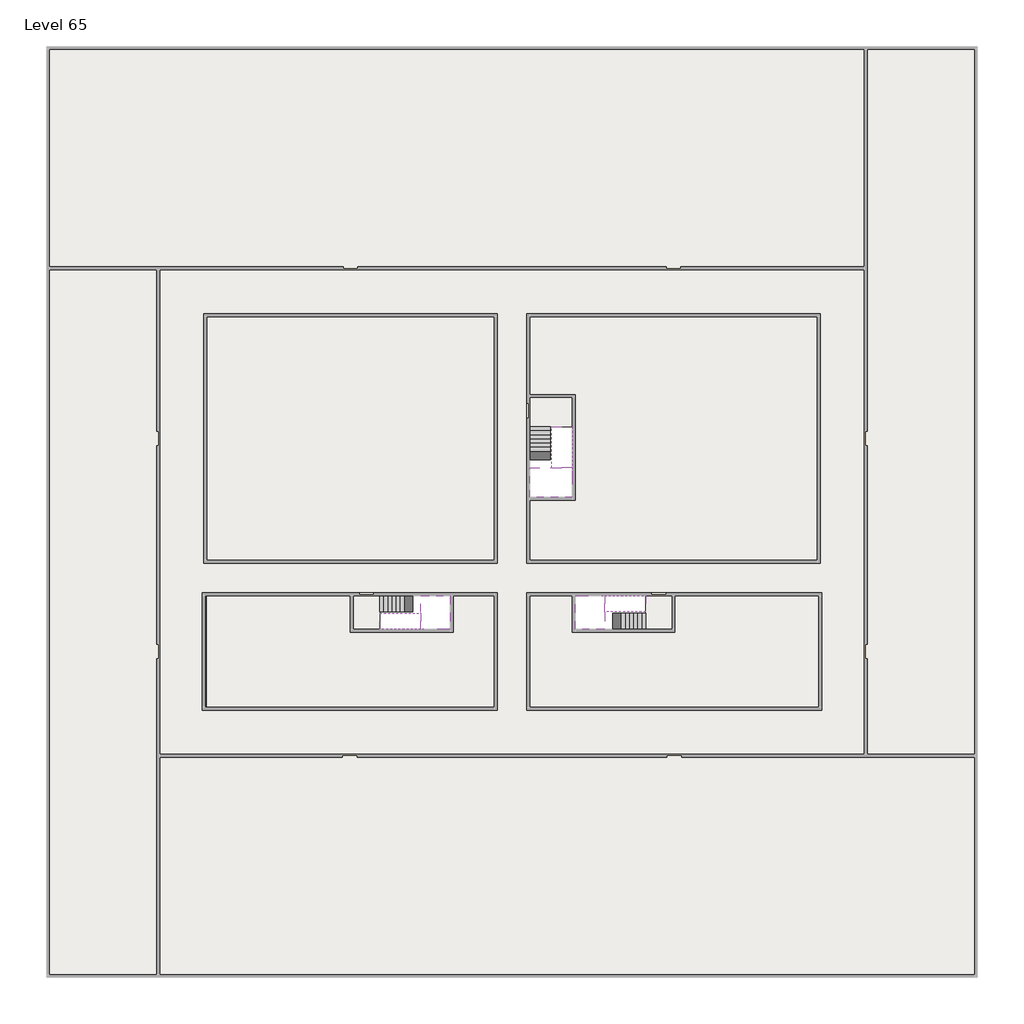
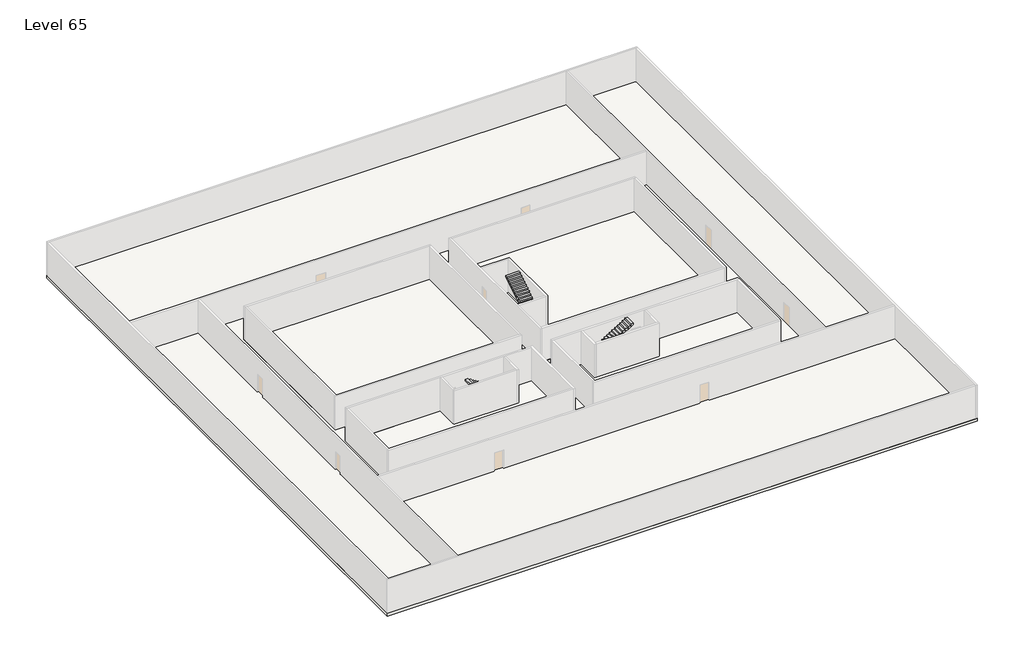
# One storey, part 2 of 2: 6 slabs, 6 stair flights.
"""IFC4 building model written with IfcOpenShell, lengths in millimetres."""

import ifcopenshell
import ifcopenshell.guid

model = None  # the IFC model being written
_history = None  # IfcOwnerHistory: only IFC2X3 demands one
_inside = {}  # id of a spatial element -> (the spatial element, [elements in it])
_under = {}  # id of a project, library or spatial element -> (it, [spatial elements below it])
_declared = {}  # id of a project -> (the project, [libraries it declares])
_typed = {}  # id of a type object -> (the type object, [elements of that type])
_made_of = {}  # id of a material, layer set ... -> (it, [elements and type objects made of it])


def new_model(schema):
    """Start an empty IFC model of exactly this schema.

    Asked for "IFC4X3", IfcOpenShell would pick the latest addendum, in which some entities
    have other attributes; the version numbers below select the first issue.
    IFC2X3 requires an IfcOwnerHistory on every rooted entity: one is made here for all.
    """
    global model, _history
    if schema == "IFC4X3":
        model = ifcopenshell.file(schema_version=(4, 3, 0, 0))
    else:
        model = ifcopenshell.file(schema=schema)
    _inside.clear()
    _under.clear()
    _declared.clear()
    _typed.clear()
    _made_of.clear()
    _history = None
    if model.schema == "IFC2X3":
        org = make("IfcOrganization", Name="unknown")
        user = make(
            "IfcPersonAndOrganization",
            ThePerson=make("IfcPerson", FamilyName="unknown"),
            TheOrganization=org,
        )
        app = make(
            "IfcApplication",
            ApplicationDeveloper=org,
            Version="unknown",
            ApplicationFullName="unknown",
            ApplicationIdentifier="unknown",
        )
        _history = make(
            "IfcOwnerHistory",
            OwningUser=user,
            OwningApplication=app,
            ChangeAction="ADDED",
            CreationDate=0,
        )
    return model


def make(cls, **values):
    """One entity of the class cls with the attributes given. An attribute that is None is left unset."""
    return model.create_entity(
        cls, **{name: value for name, value in values.items() if value is not None}
    )


def rooted(cls, **values):
    """An entity with a GlobalId (a new one), such as an element, a storey or a relation."""
    return make(cls, GlobalId=ifcopenshell.guid.new(), OwnerHistory=_history, **values)


def si_unit(unit_type, name, prefix=None):
    """IfcSIUnit, for example si_unit("LENGTHUNIT", "METRE", prefix="MILLI")."""
    return make("IfcSIUnit", UnitType=unit_type, Prefix=prefix, Name=name)


def assignment(units):
    """IfcUnitAssignment: the units of a project."""
    return None if units is None else make("IfcUnitAssignment", Units=units)


def point(xyz):
    """IfcCartesianPoint."""
    return None if xyz is None else make("IfcCartesianPoint", Coordinates=xyz)


def direction(xyz):
    """IfcDirection."""
    return None if xyz is None else make("IfcDirection", DirectionRatios=xyz)


def frame(location, z_axis=None, x_axis=None):
    """IfcAxis2Placement3D, a coordinate frame: its origin and axes. An axis left out is left unset."""
    return make(
        "IfcAxis2Placement3D",
        Location=point(location),
        Axis=direction(z_axis),
        RefDirection=direction(x_axis),
    )


def origin():
    """The frame at (0, 0, 0) with its axes left unset."""
    return frame((0.0, 0.0, 0.0))


def place(relative_to, where):
    """IfcLocalPlacement: puts the frame where relative to a parent placement (None: the world)."""
    return make(
        "IfcLocalPlacement", PlacementRelTo=relative_to, RelativePlacement=where
    )


def context(
    kind, dimensions, precision=None, world=None, true_north=None, identifier=None
):
    """IfcGeometricRepresentationContext, for example the 3D "Model" context."""
    return make(
        "IfcGeometricRepresentationContext",
        ContextIdentifier=identifier,
        ContextType=kind,
        CoordinateSpaceDimension=dimensions,
        Precision=precision,
        WorldCoordinateSystem=world,
        TrueNorth=true_north,
    )


def project(units=None, contexts=None):
    """IfcProject with its units and contexts."""
    return rooted(
        "IfcProject",
        Name="project",
        RepresentationContexts=contexts,
        UnitsInContext=assignment(units),
    )


def spatial(cls, under=None, at=None, **own):
    """A site, building, storey or space (cls), placed at a placement, below another one or the project."""
    s = rooted(cls, ObjectPlacement=at, **own)
    if under is not None:
        _under.setdefault(under.id(), (under, []))[1].append(s)
    return s


def polyline(points):
    """IfcPolyline through the points."""
    return make("IfcPolyline", Points=[point(p) for p in points])


def outline(outer, holes=None, kind="AREA"):
    """IfcArbitraryClosedProfileDef: a profile drawn as a closed curve; with holes, ...WithVoids."""
    if holes is None:
        return make("IfcArbitraryClosedProfileDef", ProfileType=kind, OuterCurve=outer)
    return make(
        "IfcArbitraryProfileDefWithVoids",
        ProfileType=kind,
        OuterCurve=outer,
        InnerCurves=holes,
    )


def extrude(swept, where, along, depth):
    """IfcExtrudedAreaSolid: the profile swept, set in the frame where, extruded along a direction by depth."""
    return make(
        "IfcExtrudedAreaSolid",
        SweptArea=swept,
        Position=where,
        ExtrudedDirection=direction(along),
        Depth=depth,
    )


def faces_of(points, faces, orient=None, outer=None):
    """IfcFace entities. A face is a list of loops; a loop is a list of indices into points, from 0.

    orient and outer hold one flag for each loop. By default every Orientation is true, the
    first loop of a face is its IfcFaceOuterBound and the others are IfcFaceBound.
    """
    made = []
    for i, loops in enumerate(faces):
        bounds = []
        for j, loop in enumerate(loops):
            is_outer = j == 0 if outer is None else outer[i][j]
            bounds.append(
                make(
                    "IfcFaceOuterBound" if is_outer else "IfcFaceBound",
                    Bound=make("IfcPolyLoop", Polygon=[points[k] for k in loop]),
                    Orientation=True if orient is None else orient[i][j],
                )
            )
        made.append(make("IfcFace", Bounds=bounds))
    return made


def faceted_brep(points, faces, orient=None, outer=None, voids=None):
    """IfcFacetedBrep: a solid bounded by flat faces; with voids (closed shells), ...WithVoids."""
    shared = [point(p) for p in points]
    hull = make("IfcClosedShell", CfsFaces=faces_of(shared, faces, orient, outer))
    if voids is None:
        return make("IfcFacetedBrep", Outer=hull)
    return make(
        "IfcFacetedBrepWithVoids",
        Outer=hull,
        Voids=[
            make(cls, CfsFaces=faces_of(shared, fs, o, b)) for cls, fs, o, b in voids
        ],
    )


def shape(context_of_items, identifier, shape_type, items):
    """IfcShapeRepresentation: the items that make up one representation, for example the "Body"."""
    return make(
        "IfcShapeRepresentation",
        ContextOfItems=context_of_items,
        RepresentationIdentifier=identifier,
        RepresentationType=shape_type,
        Items=items,
    )


def made_of(thing, what):
    """Note that an element or type object is made of a material, layer set ...; save() writes the relation."""
    if what is not None:
        _made_of.setdefault(what.id(), (what, []))[1].append(thing)
    return thing


def element(
    cls,
    number,
    at=None,
    inside=None,
    cuts=None,
    type_object=None,
    material=None,
    context=None,
    identifier="Body",
    shape_type=None,
    held_by="IfcProductDefinitionShape",
    body=None,
    shapes=None,
    **own,
):
    """One element of the class cls, such as IfcWall. Its Tag is "e" and its number.

    at: its placement. inside: the storey or other place that contains it. cuts: it is an
    opening in that element (IfcRelVoidsElement). A single representation is given by context,
    identifier, shape_type and body (its items); several are given by shapes. held_by: the class
    of the entity that holds the representations. save() writes the other relations.
    """
    e = rooted(cls, Tag="e%d" % number, ObjectPlacement=at, **own)
    if body is not None:
        shapes = [shape(context, identifier, shape_type, body)]
    if shapes is not None:
        e.Representation = make(held_by, Representations=shapes)
    if inside is not None:
        _inside.setdefault(inside.id(), (inside, []))[1].append(e)
    if cuts is not None:
        rooted(
            "IfcRelVoidsElement", RelatingBuildingElement=cuts, RelatedOpeningElement=e
        )
    if type_object is not None:
        _typed.setdefault(type_object.id(), (type_object, []))[1].append(e)
    return made_of(e, material)


def aggregate(whole, parts):
    """IfcRelAggregates: a whole, such as a stair, and the parts it consists of."""
    return rooted("IfcRelAggregates", RelatingObject=whole, RelatedObjects=parts)


def save(model, path):
    """Write the relations noted so far, then the file.

    IfcRelAggregates (storeys below a building ...), IfcRelContainedInSpatialStructure (elements
    in a storey), IfcRelDefinesByType, IfcRelAssociatesMaterial and IfcRelDeclares: one each for
    every whole, place, type object, material and project.
    """
    for whole, parts in _under.values():
        aggregate(whole, parts)
    for where, things in _inside.values():
        rooted(
            "IfcRelContainedInSpatialStructure",
            RelatedElements=things,
            RelatingStructure=where,
        )
    for kind, things in _typed.values():
        rooted("IfcRelDefinesByType", RelatedObjects=things, RelatingType=kind)
    for what, things in _made_of.values():
        rooted("IfcRelAssociatesMaterial", RelatedObjects=things, RelatingMaterial=what)
    for by, libraries in _declared.values():
        rooted("IfcRelDeclares", RelatingContext=by, RelatedDefinitions=libraries)
    model.write(path)


model = new_model("IFC4")

# Units and contexts
model_context = context("Model", 3, world=origin())
ifc_project = project(units=[si_unit("LENGTHUNIT", "METRE", prefix="MILLI")], contexts=[model_context])

# Site, building, storey
site = spatial("IfcSite", under=ifc_project)
building = spatial("IfcBuilding", under=site)
storey = spatial("IfcBuildingStorey", under=building, Name="Level 65", Elevation=243200.0)

# Slabs
placement = place(None, origin())
element("IfcSlab", 1, at=placement, inside=storey, context=model_context, shape_type="SweptSolid", body=[
    extrude(outline(polyline([(55890.1058784, -5518.09644), (55890.1058784, -68918.09644), (-7509.8941216, -68918.09644), (-7509.8941216, -5518.09644), (55890.1058784, -5518.09644)]), holes=[polyline([(23190.1058784, -23718.09644), (3190.1058784, -23718.09644), (3190.1058784, -40718.09644), (23190.1058784, -40718.09644), (23190.1058784, -23718.09644)]), polyline([(45190.1058784, -23718.09644), (25190.1058784, -23718.09644), (25190.1058784, -40718.09644), (45190.1058784, -40718.09644), (45190.1058784, -23718.09644)]), polyline([(23190.1058784, -50718.09644), (23190.1058784, -42718.09644), (3390.1058784, -42718.09644), (3390.1058784, -50718.09644), (23190.1058784, -50718.09644)]), polyline([(25190.1058784, -50718.09644), (45190.1058784, -50718.09644), (45190.1058784, -42718.09644), (25190.1058784, -42718.09644), (25190.1058784, -50718.09644)])]), frame((0.0, 0.0, 242900.0), z_axis=(0.0, 0.0, 1.0), x_axis=(1.0, 0.0, 0.0)), (0.0, 0.0, 1.0), 300.0),
])
element("IfcSlab", 2, at=placement, inside=storey, context=model_context, shape_type="Brep", body=[
    faceted_brep([(26790.1058784, -34218.09644, 245100.0), (25390.1058784, -34218.09644, 245100.0), (25390.1058784, -34297.4828763, 245100.0), (25390.1058784, -36218.09644, 245100.0), (28290.1058784, -36218.09644, 245100.0), (28290.1058784, -34418.7100038, 245100.0), (28290.1058784, -34218.09644, 245100.0), (26890.1058784, -34218.09644, 245100.0), (26790.1058784, -34218.09644, 244800.0), (26790.1058784, -34218.09644, 244751.0278478), (25390.1058784, -34218.09644, 244751.0278478), (25390.1058784, -34218.09644, 244927.2727273), (25390.1058784, -34297.4828763, 244800.0), (25390.1058784, -36218.09644, 244800.0), (28290.1058784, -36218.09644, 244800.0), (28290.1058784, -34418.7100038, 244800.0), (28290.1058784, -34218.09644, 244923.7551205), (26890.1058784, -34218.09644, 244923.7551205), (26890.1058784, -34218.09644, 244800.0), (26890.1058784, -34418.7100038, 244800.0), (26790.1058784, -34297.4828763, 244800.0)], [[[0, 1, 2, 3, 4, 5, 6, 7]], [[1, 0, 8, 9, 10, 11]], [[1, 11, 10, 12, 13, 3, 2]], [[4, 3, 13, 14]], [[4, 14, 15, 16, 6, 5]], [[7, 6, 16, 17]], [[0, 7, 17, 18, 8]], [[18, 19, 15, 14, 13, 12, 20, 8]], [[19, 18, 17]], [[20, 12, 10, 9]], [[8, 20, 9]], [[15, 19, 17, 16]]]),
])
element("IfcSlab", 3, at=placement, inside=storey, context=model_context, shape_type="SweptSolid", body=[
    extrude(outline(polyline([(22990.1058784, -23918.09644), (22990.1058784, -40518.09644), (3390.1058784, -40518.09644), (3390.1058784, -23918.09644), (22990.1058784, -23918.09644)])), frame((0.0, 0.0, 242900.0), z_axis=(0.0, 0.0, 1.0), x_axis=(1.0, 0.0, 0.0)), (0.0, 0.0, 1.0), 300.0),
    extrude(outline(polyline([(44990.1058784, -23918.09644), (44990.1058784, -40518.09644), (25390.1058784, -40518.09644), (25390.1058784, -36418.09644), (28490.1058784, -36418.09644), (28490.1058784, -29218.09644), (25390.1058784, -29218.09644), (25390.1058784, -23918.09644), (44990.1058784, -23918.09644)])), frame((0.0, 0.0, 242900.0), z_axis=(0.0, 0.0, 1.0), x_axis=(1.0, 0.0, 0.0)), (0.0, 0.0, 1.0), 300.0),
    extrude(outline(polyline([(22990.1058784, -42918.09644), (22990.1058784, -50518.09644), (3390.1058784, -50518.09644), (3390.1058784, -42918.09644), (13190.1058784, -42918.09644), (13190.1058784, -45418.09644), (20190.1058784, -45418.09644), (20190.1058784, -42918.09644), (22990.1058784, -42918.09644)])), frame((0.0, 0.0, 242900.0), z_axis=(0.0, 0.0, 1.0), x_axis=(1.0, 0.0, 0.0)), (0.0, 0.0, 1.0), 300.0),
    extrude(outline(polyline([(28290.1058784, -42918.09644), (28290.1058784, -45418.09644), (35290.1058784, -45418.09644), (35290.1058784, -42918.09644), (45090.1058784, -42918.09644), (45090.1058784, -50518.09644), (25390.1058784, -50518.09644), (25390.1058784, -42918.09644), (28290.1058784, -42918.09644)])), frame((0.0, 0.0, 242900.0), z_axis=(0.0, 0.0, 1.0), x_axis=(1.0, 0.0, 0.0)), (0.0, 0.0, 1.0), 300.0),
])
element("IfcSlab", 4, at=placement, inside=storey, context=model_context, shape_type="Brep", body=[
    faceted_brep([(30490.1058784, -45218.09644, 245100.0), (30490.1058784, -44118.09644, 245100.0), (30490.1058784, -44018.09644, 245100.0), (30490.1058784, -42918.09644, 245100.0), (30289.4923146, -42918.09644, 245100.0), (28490.1058784, -42918.09644, 245100.0), (28490.1058784, -45218.09644, 245100.0), (30410.7194421, -45218.09644, 245100.0), (30490.1058784, -45218.09644, 244927.2727273), (30490.1058784, -45218.09644, 244751.0278478), (30490.1058784, -44118.09644, 244751.0278478), (30490.1058784, -44118.09644, 244800.0), (30490.1058784, -44018.09644, 244800.0), (30490.1058784, -44018.09644, 244923.7551205), (30490.1058784, -42918.09644, 244923.7551205), (30289.4923146, -42918.09644, 244800.0), (28490.1058784, -42918.09644, 244800.0), (28490.1058784, -45218.09644, 244800.0), (30410.7194421, -45218.09644, 244800.0), (30289.4923146, -44018.09644, 244800.0), (30410.7194421, -44118.09644, 244800.0)], [[[0, 1, 2, 3, 4, 5, 6, 7]], [[1, 0, 8, 9, 10, 11]], [[2, 1, 11, 12, 13]], [[3, 2, 13, 14]], [[3, 14, 15, 16, 5, 4]], [[6, 5, 16, 17]], [[9, 8, 0, 7, 6, 17, 18]], [[19, 12, 11, 20, 18, 17, 16, 15]], [[12, 19, 13]], [[18, 20, 10, 9]], [[20, 11, 10]], [[19, 15, 14, 13]]]),
])
element("IfcSlab", 5, at=placement, inside=storey, context=model_context, shape_type="Brep", body=[
    faceted_brep([(17990.1058784, -42918.09644, 245100.0), (17990.1058784, -44018.09644, 245100.0), (17990.1058784, -44118.09644, 245100.0), (17990.1058784, -45218.09644, 245100.0), (18190.7194421, -45218.09644, 245100.0), (19990.1058784, -45218.09644, 245100.0), (19990.1058784, -42918.09644, 245100.0), (18069.4923146, -42918.09644, 245100.0), (17990.1058784, -42918.09644, 244927.2727273), (17990.1058784, -42918.09644, 244751.0278478), (17990.1058784, -44018.09644, 244751.0278478), (17990.1058784, -44018.09644, 244800.0), (17990.1058784, -44118.09644, 244800.0), (17990.1058784, -44118.09644, 244923.7551205), (17990.1058784, -45218.09644, 244923.7551205), (18190.7194421, -45218.09644, 244800.0), (19990.1058784, -45218.09644, 244800.0), (19990.1058784, -42918.09644, 244800.0), (18069.4923146, -42918.09644, 244800.0), (18190.7194421, -44118.09644, 244800.0), (18069.4923146, -44018.09644, 244800.0)], [[[0, 1, 2, 3, 4, 5, 6, 7]], [[1, 0, 8, 9, 10, 11]], [[2, 1, 11, 12, 13]], [[3, 2, 13, 14]], [[3, 14, 15, 16, 5, 4]], [[6, 5, 16, 17]], [[9, 8, 0, 7, 6, 17, 18]], [[19, 12, 11, 20, 18, 17, 16, 15]], [[12, 19, 13]], [[18, 20, 10, 9]], [[20, 11, 10]], [[19, 15, 14, 13]]]),
])
element("IfcSlab", 6, at=placement, inside=storey, context=model_context, shape_type="SweptSolid", body=[
    extrude(outline(polyline([(25190.1058784, -29418.09644), (28290.1058784, -29418.09644), (28290.1058784, -31418.09644), (25190.1058784, -31418.09644), (25190.1058784, -29418.09644)])), frame((0.0, 0.0, 242900.0), z_axis=(0.0, 0.0, 1.0), x_axis=(1.0, 0.0, 0.0)), (0.0, 0.0, 1.0), 300.0),
    extrude(outline(polyline([(15190.1058784, -45218.09644), (13390.1058784, -45218.09644), (13390.1058784, -42718.09644), (15190.1058784, -42718.09644), (15190.1058784, -45218.09644)])), frame((0.0, 0.0, 242900.0), z_axis=(0.0, 0.0, 1.0), x_axis=(1.0, 0.0, 0.0)), (0.0, 0.0, 1.0), 300.0),
    extrude(outline(polyline([(35090.1058784, -45218.09644), (33290.1058784, -45218.09644), (33290.1058784, -42718.09644), (35090.1058784, -42718.09644), (35090.1058784, -45218.09644)])), frame((0.0, 0.0, 242900.0), z_axis=(0.0, 0.0, 1.0), x_axis=(1.0, 0.0, 0.0)), (0.0, 0.0, 1.0), 300.0),
])

# Stair flights
element("IfcStairFlight", 7, at=placement, inside=storey, context=model_context, shape_type="Brep", body=[
    faceted_brep([(26790.1058784, -31698.09644, 243372.7272727), (26790.1058784, -31418.09644, 243372.7272727), (25390.1058784, -31418.09644, 243372.7272727), (25390.1058784, -31698.09644, 243372.7272727), (26790.1058784, -31698.09644, 243200.0), (26790.1058784, -31418.09644, 243200.0), (25390.1058784, -31418.09644, 243200.0), (25390.1058784, -31698.09644, 243200.0), (26790.1058784, -31978.09644, 243545.4545455), (26790.1058784, -31698.09644, 243545.4545455), (25390.1058784, -31698.09644, 243545.4545455), (25390.1058784, -31978.09644, 243545.4545455), (26790.1058784, -31978.09644, 243369.209666), (26790.1058784, -31703.7986657, 243200.0), (25390.1058784, -31703.7986657, 243200.0), (25390.1058784, -31978.09644, 243369.209666), (26790.1058784, -32258.09644, 243718.1818182), (26790.1058784, -31978.09644, 243718.1818182), (25390.1058784, -31978.09644, 243718.1818182), (25390.1058784, -32258.09644, 243718.1818182), (26790.1058784, -32258.09644, 243541.9369387), (25390.1058784, -32258.09644, 243541.9369387), (26790.1058784, -32538.09644, 243890.9090909), (26790.1058784, -32258.09644, 243890.9090909), (25390.1058784, -32258.09644, 243890.9090909), (25390.1058784, -32538.09644, 243890.9090909), (26790.1058784, -32538.09644, 243714.6642114), (25390.1058784, -32538.09644, 243714.6642114), (26790.1058784, -32818.09644, 244063.6363636), (26790.1058784, -32538.09644, 244063.6363636), (25390.1058784, -32538.09644, 244063.6363636), (25390.1058784, -32818.09644, 244063.6363636), (26790.1058784, -32818.09644, 243887.3914841), (25390.1058784, -32818.09644, 243887.3914841), (26790.1058784, -33098.09644, 244236.3636364), (26790.1058784, -32818.09644, 244236.3636364), (25390.1058784, -32818.09644, 244236.3636364), (25390.1058784, -33098.09644, 244236.3636364), (26790.1058784, -33098.09644, 244060.1187569), (25390.1058784, -33098.09644, 244060.1187569), (26790.1058784, -33378.09644, 244409.0909091), (26790.1058784, -33098.09644, 244409.0909091), (25390.1058784, -33098.09644, 244409.0909091), (25390.1058784, -33378.09644, 244409.0909091), (26790.1058784, -33378.09644, 244232.8460296), (25390.1058784, -33378.09644, 244232.8460296), (26790.1058784, -33658.09644, 244581.8181818), (26790.1058784, -33378.09644, 244581.8181818), (25390.1058784, -33378.09644, 244581.8181818), (25390.1058784, -33658.09644, 244581.8181818), (26790.1058784, -33658.09644, 244405.5733023), (25390.1058784, -33658.09644, 244405.5733023), (26790.1058784, -33938.09644, 244754.5454545), (26790.1058784, -33658.09644, 244754.5454545), (25390.1058784, -33658.09644, 244754.5454545), (25390.1058784, -33938.09644, 244754.5454545), (26790.1058784, -33938.09644, 244578.3005751), (25390.1058784, -33938.09644, 244578.3005751), (26790.1058784, -34218.09644, 244927.2727273), (26790.1058784, -33938.09644, 244927.2727273), (25390.1058784, -33938.09644, 244927.2727273), (25390.1058784, -34218.09644, 244927.2727273), (26790.1058784, -34218.09644, 244800.0), (26790.1058784, -34218.09644, 244751.0278478), (25390.1058784, -34218.09644, 244751.0278478)], [[[0, 1, 2, 3]], [[1, 0, 4, 5]], [[2, 1, 5, 6]], [[3, 2, 6, 7]], [[8, 9, 10, 11]], [[4, 0, 9, 8, 12, 13]], [[0, 3, 10, 9]], [[3, 7, 14, 15, 11, 10]], [[16, 17, 18, 19]], [[17, 16, 20, 12, 8]], [[8, 11, 18, 17]], [[19, 18, 11, 15, 21]], [[22, 23, 24, 25]], [[23, 22, 26, 20, 16]], [[16, 19, 24, 23]], [[25, 24, 19, 21, 27]], [[28, 29, 30, 31]], [[29, 28, 32, 26, 22]], [[22, 25, 30, 29]], [[31, 30, 25, 27, 33]], [[34, 35, 36, 37]], [[35, 34, 38, 32, 28]], [[28, 31, 36, 35]], [[37, 36, 31, 33, 39]], [[40, 41, 42, 43]], [[41, 40, 44, 38, 34]], [[34, 37, 42, 41]], [[43, 42, 37, 39, 45]], [[46, 47, 48, 49]], [[47, 46, 50, 44, 40]], [[40, 43, 48, 47]], [[49, 48, 43, 45, 51]], [[52, 53, 54, 55]], [[53, 52, 56, 50, 46]], [[46, 49, 54, 53]], [[55, 54, 49, 51, 57]], [[58, 59, 60, 61]], [[59, 58, 62, 63, 56, 52]], [[52, 55, 60, 59]], [[61, 60, 55, 57, 64]], [[58, 61, 64, 63, 62]], [[5, 4, 13, 14, 7, 6]], [[14, 13, 12, 20, 26, 32, 38, 44, 50, 56, 63, 64, 57, 51, 45, 39, 33, 27, 21, 15]]]),
])
element("IfcStairFlight", 8, at=placement, inside=storey, context=model_context, shape_type="Brep", body=[
    faceted_brep([(26890.1058784, -33938.09644, 245272.7272727), (26890.1058784, -34218.09644, 245272.7272727), (28290.1058784, -34218.09644, 245272.7272727), (28290.1058784, -33938.09644, 245272.7272727), (26890.1058784, -33938.09644, 245096.4823932), (26890.1058784, -34218.09644, 244923.7551205), (28290.1058784, -34218.09644, 244923.7551205), (28290.1058784, -34218.09644, 245100.0), (28290.1058784, -33938.09644, 245096.4823932), (26890.1058784, -33658.09644, 245445.4545455), (26890.1058784, -33938.09644, 245445.4545455), (28290.1058784, -33938.09644, 245445.4545455), (28290.1058784, -33658.09644, 245445.4545455), (26890.1058784, -33658.09644, 245269.209666), (28290.1058784, -33658.09644, 245269.209666), (26890.1058784, -33378.09644, 245618.1818182), (26890.1058784, -33658.09644, 245618.1818182), (28290.1058784, -33658.09644, 245618.1818182), (28290.1058784, -33378.09644, 245618.1818182), (26890.1058784, -33378.09644, 245441.9369387), (28290.1058784, -33378.09644, 245441.9369387), (26890.1058784, -33098.09644, 245790.9090909), (26890.1058784, -33378.09644, 245790.9090909), (28290.1058784, -33378.09644, 245790.9090909), (28290.1058784, -33098.09644, 245790.9090909), (26890.1058784, -33098.09644, 245614.6642114), (28290.1058784, -33098.09644, 245614.6642114), (26890.1058784, -32818.09644, 245963.6363636), (26890.1058784, -33098.09644, 245963.6363636), (28290.1058784, -33098.09644, 245963.6363636), (28290.1058784, -32818.09644, 245963.6363636), (26890.1058784, -32818.09644, 245787.3914841), (28290.1058784, -32818.09644, 245787.3914841), (26890.1058784, -32538.09644, 246136.3636364), (26890.1058784, -32818.09644, 246136.3636364), (28290.1058784, -32818.09644, 246136.3636364), (28290.1058784, -32538.09644, 246136.3636364), (26890.1058784, -32538.09644, 245960.1187569), (28290.1058784, -32538.09644, 245960.1187569), (26890.1058784, -32258.09644, 246309.0909091), (26890.1058784, -32538.09644, 246309.0909091), (28290.1058784, -32538.09644, 246309.0909091), (28290.1058784, -32258.09644, 246309.0909091), (26890.1058784, -32258.09644, 246132.8460296), (28290.1058784, -32258.09644, 246132.8460296), (26890.1058784, -31978.09644, 246481.8181818), (26890.1058784, -32258.09644, 246481.8181818), (28290.1058784, -32258.09644, 246481.8181818), (28290.1058784, -31978.09644, 246481.8181818), (26890.1058784, -31978.09644, 246305.5733023), (28290.1058784, -31978.09644, 246305.5733023), (26890.1058784, -31698.09644, 246654.5454545), (26890.1058784, -31978.09644, 246654.5454545), (28290.1058784, -31978.09644, 246654.5454545), (28290.1058784, -31698.09644, 246654.5454545), (26890.1058784, -31698.09644, 246478.3005751), (28290.1058784, -31698.09644, 246478.3005751), (26890.1058784, -31418.09644, 246827.2727273), (26890.1058784, -31698.09644, 246827.2727273), (28290.1058784, -31698.09644, 246827.2727273), (28290.1058784, -31418.09644, 246827.2727273), (26890.1058784, -31418.09644, 246651.0278478), (28290.1058784, -31418.09644, 246651.0278478)], [[[0, 1, 2, 3]], [[1, 0, 4, 5]], [[2, 1, 5, 6, 7]], [[3, 2, 7, 6, 8]], [[9, 10, 11, 12]], [[10, 9, 13, 4, 0]], [[11, 10, 0, 3]], [[12, 11, 3, 8, 14]], [[15, 16, 17, 18]], [[16, 15, 19, 13, 9]], [[17, 16, 9, 12]], [[18, 17, 12, 14, 20]], [[21, 22, 23, 24]], [[22, 21, 25, 19, 15]], [[23, 22, 15, 18]], [[24, 23, 18, 20, 26]], [[27, 28, 29, 30]], [[28, 27, 31, 25, 21]], [[29, 28, 21, 24]], [[30, 29, 24, 26, 32]], [[33, 34, 35, 36]], [[34, 33, 37, 31, 27]], [[35, 34, 27, 30]], [[36, 35, 30, 32, 38]], [[39, 40, 41, 42]], [[40, 39, 43, 37, 33]], [[41, 40, 33, 36]], [[42, 41, 36, 38, 44]], [[45, 46, 47, 48]], [[46, 45, 49, 43, 39]], [[47, 46, 39, 42]], [[48, 47, 42, 44, 50]], [[51, 52, 53, 54]], [[52, 51, 55, 49, 45]], [[53, 52, 45, 48]], [[54, 53, 48, 50, 56]], [[57, 58, 59, 60]], [[58, 57, 61, 55, 51]], [[59, 58, 51, 54]], [[60, 59, 54, 56, 62]], [[57, 60, 62, 61]], [[5, 4, 13, 19, 25, 31, 37, 43, 49, 55, 61, 62, 56, 50, 44, 38, 32, 26, 20, 14, 8, 6]]]),
])
element("IfcStairFlight", 9, at=placement, inside=storey, context=model_context, shape_type="Brep", body=[
    faceted_brep([(33010.1058784, -45218.09644, 243372.7272727), (33290.1058784, -45218.09644, 243372.7272727), (33290.1058784, -44118.09644, 243372.7272727), (33010.1058784, -44118.09644, 243372.7272727), (33010.1058784, -45218.09644, 243200.0), (33290.1058784, -45218.09644, 243200.0), (33290.1058784, -44118.09644, 243200.0), (33010.1058784, -44118.09644, 243200.0), (32730.1058784, -45218.09644, 243545.4545455), (33010.1058784, -45218.09644, 243545.4545455), (33010.1058784, -44118.09644, 243545.4545455), (32730.1058784, -44118.09644, 243545.4545455), (32730.1058784, -45218.09644, 243369.209666), (33004.4036527, -45218.09644, 243200.0), (33004.4036527, -44118.09644, 243200.0), (32730.1058784, -44118.09644, 243369.209666), (32450.1058784, -45218.09644, 243718.1818182), (32730.1058784, -45218.09644, 243718.1818182), (32730.1058784, -44118.09644, 243718.1818182), (32450.1058784, -44118.09644, 243718.1818182), (32450.1058784, -45218.09644, 243541.9369387), (32450.1058784, -44118.09644, 243541.9369387), (32170.1058784, -45218.09644, 243890.9090909), (32450.1058784, -45218.09644, 243890.9090909), (32450.1058784, -44118.09644, 243890.9090909), (32170.1058784, -44118.09644, 243890.9090909), (32170.1058784, -45218.09644, 243714.6642114), (32170.1058784, -44118.09644, 243714.6642114), (31890.1058784, -45218.09644, 244063.6363636), (32170.1058784, -45218.09644, 244063.6363636), (32170.1058784, -44118.09644, 244063.6363636), (31890.1058784, -44118.09644, 244063.6363636), (31890.1058784, -45218.09644, 243887.3914841), (31890.1058784, -44118.09644, 243887.3914841), (31610.1058784, -45218.09644, 244236.3636364), (31890.1058784, -45218.09644, 244236.3636364), (31890.1058784, -44118.09644, 244236.3636364), (31610.1058784, -44118.09644, 244236.3636364), (31610.1058784, -45218.09644, 244060.1187569), (31610.1058784, -44118.09644, 244060.1187569), (31330.1058784, -45218.09644, 244409.0909091), (31610.1058784, -45218.09644, 244409.0909091), (31610.1058784, -44118.09644, 244409.0909091), (31330.1058784, -44118.09644, 244409.0909091), (31330.1058784, -45218.09644, 244232.8460296), (31330.1058784, -44118.09644, 244232.8460296), (31050.1058784, -45218.09644, 244581.8181818), (31330.1058784, -45218.09644, 244581.8181818), (31330.1058784, -44118.09644, 244581.8181818), (31050.1058784, -44118.09644, 244581.8181818), (31050.1058784, -45218.09644, 244405.5733023), (31050.1058784, -44118.09644, 244405.5733023), (30770.1058784, -45218.09644, 244754.5454545), (31050.1058784, -45218.09644, 244754.5454545), (31050.1058784, -44118.09644, 244754.5454545), (30770.1058784, -44118.09644, 244754.5454545), (30770.1058784, -45218.09644, 244578.3005751), (30770.1058784, -44118.09644, 244578.3005751), (30490.1058784, -45218.09644, 244927.2727273), (30770.1058784, -45218.09644, 244927.2727273), (30770.1058784, -44118.09644, 244927.2727273), (30490.1058784, -44118.09644, 244927.2727273), (30490.1058784, -45218.09644, 244751.0278478), (30490.1058784, -44118.09644, 244751.0278478), (30490.1058784, -44118.09644, 244800.0)], [[[0, 1, 2, 3]], [[1, 0, 4, 5]], [[2, 1, 5, 6]], [[3, 2, 6, 7]], [[8, 9, 10, 11]], [[4, 0, 9, 8, 12, 13]], [[0, 3, 10, 9]], [[3, 7, 14, 15, 11, 10]], [[16, 17, 18, 19]], [[17, 16, 20, 12, 8]], [[8, 11, 18, 17]], [[19, 18, 11, 15, 21]], [[22, 23, 24, 25]], [[23, 22, 26, 20, 16]], [[16, 19, 24, 23]], [[25, 24, 19, 21, 27]], [[28, 29, 30, 31]], [[29, 28, 32, 26, 22]], [[22, 25, 30, 29]], [[31, 30, 25, 27, 33]], [[34, 35, 36, 37]], [[35, 34, 38, 32, 28]], [[28, 31, 36, 35]], [[37, 36, 31, 33, 39]], [[40, 41, 42, 43]], [[41, 40, 44, 38, 34]], [[34, 37, 42, 41]], [[43, 42, 37, 39, 45]], [[46, 47, 48, 49]], [[47, 46, 50, 44, 40]], [[40, 43, 48, 47]], [[49, 48, 43, 45, 51]], [[52, 53, 54, 55]], [[53, 52, 56, 50, 46]], [[46, 49, 54, 53]], [[55, 54, 49, 51, 57]], [[58, 59, 60, 61]], [[59, 58, 62, 56, 52]], [[52, 55, 60, 59]], [[61, 60, 55, 57, 63, 64]], [[58, 61, 64, 63, 62]], [[5, 4, 13, 14, 7, 6]], [[14, 13, 12, 20, 26, 32, 38, 44, 50, 56, 62, 63, 57, 51, 45, 39, 33, 27, 21, 15]]]),
])
element("IfcStairFlight", 10, at=placement, inside=storey, context=model_context, shape_type="Brep", body=[
    faceted_brep([(30770.1058784, -42918.09644, 245272.7272727), (30490.1058784, -42918.09644, 245272.7272727), (30490.1058784, -44018.09644, 245272.7272727), (30770.1058784, -44018.09644, 245272.7272727), (30770.1058784, -42918.09644, 245096.4823932), (30490.1058784, -42918.09644, 244923.7551205), (30490.1058784, -42918.09644, 245100.0), (30490.1058784, -44018.09644, 244923.7551205), (30770.1058784, -44018.09644, 245096.4823932), (31050.1058784, -42918.09644, 245445.4545455), (30770.1058784, -42918.09644, 245445.4545455), (30770.1058784, -44018.09644, 245445.4545455), (31050.1058784, -44018.09644, 245445.4545455), (31050.1058784, -42918.09644, 245269.209666), (31050.1058784, -44018.09644, 245269.209666), (31330.1058784, -42918.09644, 245618.1818182), (31050.1058784, -42918.09644, 245618.1818182), (31050.1058784, -44018.09644, 245618.1818182), (31330.1058784, -44018.09644, 245618.1818182), (31330.1058784, -42918.09644, 245441.9369387), (31330.1058784, -44018.09644, 245441.9369387), (31610.1058784, -42918.09644, 245790.9090909), (31330.1058784, -42918.09644, 245790.9090909), (31330.1058784, -44018.09644, 245790.9090909), (31610.1058784, -44018.09644, 245790.9090909), (31610.1058784, -42918.09644, 245614.6642114), (31610.1058784, -44018.09644, 245614.6642114), (31890.1058784, -42918.09644, 245963.6363636), (31610.1058784, -42918.09644, 245963.6363636), (31610.1058784, -44018.09644, 245963.6363636), (31890.1058784, -44018.09644, 245963.6363636), (31890.1058784, -42918.09644, 245787.3914841), (31890.1058784, -44018.09644, 245787.3914841), (32170.1058784, -42918.09644, 246136.3636364), (31890.1058784, -42918.09644, 246136.3636364), (31890.1058784, -44018.09644, 246136.3636364), (32170.1058784, -44018.09644, 246136.3636364), (32170.1058784, -42918.09644, 245960.1187569), (32170.1058784, -44018.09644, 245960.1187569), (32450.1058784, -42918.09644, 246309.0909091), (32170.1058784, -42918.09644, 246309.0909091), (32170.1058784, -44018.09644, 246309.0909091), (32450.1058784, -44018.09644, 246309.0909091), (32450.1058784, -42918.09644, 246132.8460296), (32450.1058784, -44018.09644, 246132.8460296), (32730.1058784, -42918.09644, 246481.8181818), (32450.1058784, -42918.09644, 246481.8181818), (32450.1058784, -44018.09644, 246481.8181818), (32730.1058784, -44018.09644, 246481.8181818), (32730.1058784, -42918.09644, 246305.5733023), (32730.1058784, -44018.09644, 246305.5733023), (33010.1058784, -42918.09644, 246654.5454545), (32730.1058784, -42918.09644, 246654.5454545), (32730.1058784, -44018.09644, 246654.5454545), (33010.1058784, -44018.09644, 246654.5454545), (33010.1058784, -42918.09644, 246478.3005751), (33010.1058784, -44018.09644, 246478.3005751), (33290.1058784, -42918.09644, 246827.2727273), (33010.1058784, -42918.09644, 246827.2727273), (33010.1058784, -44018.09644, 246827.2727273), (33290.1058784, -44018.09644, 246827.2727273), (33290.1058784, -42918.09644, 246651.0278478), (33290.1058784, -44018.09644, 246651.0278478)], [[[0, 1, 2, 3]], [[1, 0, 4, 5, 6]], [[2, 1, 6, 5, 7]], [[3, 2, 7, 8]], [[9, 10, 11, 12]], [[10, 9, 13, 4, 0]], [[11, 10, 0, 3]], [[12, 11, 3, 8, 14]], [[15, 16, 17, 18]], [[16, 15, 19, 13, 9]], [[17, 16, 9, 12]], [[18, 17, 12, 14, 20]], [[21, 22, 23, 24]], [[22, 21, 25, 19, 15]], [[23, 22, 15, 18]], [[24, 23, 18, 20, 26]], [[27, 28, 29, 30]], [[28, 27, 31, 25, 21]], [[29, 28, 21, 24]], [[30, 29, 24, 26, 32]], [[33, 34, 35, 36]], [[34, 33, 37, 31, 27]], [[35, 34, 27, 30]], [[36, 35, 30, 32, 38]], [[39, 40, 41, 42]], [[40, 39, 43, 37, 33]], [[41, 40, 33, 36]], [[42, 41, 36, 38, 44]], [[45, 46, 47, 48]], [[46, 45, 49, 43, 39]], [[47, 46, 39, 42]], [[48, 47, 42, 44, 50]], [[51, 52, 53, 54]], [[52, 51, 55, 49, 45]], [[53, 52, 45, 48]], [[54, 53, 48, 50, 56]], [[57, 58, 59, 60]], [[58, 57, 61, 55, 51]], [[59, 58, 51, 54]], [[60, 59, 54, 56, 62]], [[57, 60, 62, 61]], [[5, 4, 13, 19, 25, 31, 37, 43, 49, 55, 61, 62, 56, 50, 44, 38, 32, 26, 20, 14, 8, 7]]]),
])
element("IfcStairFlight", 11, at=placement, inside=storey, context=model_context, shape_type="Brep", body=[
    faceted_brep([(15470.1058784, -42918.09644, 243372.7272727), (15190.1058784, -42918.09644, 243372.7272727), (15190.1058784, -44018.09644, 243372.7272727), (15470.1058784, -44018.09644, 243372.7272727), (15470.1058784, -42918.09644, 243200.0), (15190.1058784, -42918.09644, 243200.0), (15190.1058784, -44018.09644, 243200.0), (15470.1058784, -44018.09644, 243200.0), (15750.1058784, -42918.09644, 243545.4545455), (15470.1058784, -42918.09644, 243545.4545455), (15470.1058784, -44018.09644, 243545.4545455), (15750.1058784, -44018.09644, 243545.4545455), (15750.1058784, -42918.09644, 243369.209666), (15475.8081041, -42918.09644, 243200.0), (15475.8081041, -44018.09644, 243200.0), (15750.1058784, -44018.09644, 243369.209666), (16030.1058784, -42918.09644, 243718.1818182), (15750.1058784, -42918.09644, 243718.1818182), (15750.1058784, -44018.09644, 243718.1818182), (16030.1058784, -44018.09644, 243718.1818182), (16030.1058784, -42918.09644, 243541.9369387), (16030.1058784, -44018.09644, 243541.9369387), (16310.1058784, -42918.09644, 243890.9090909), (16030.1058784, -42918.09644, 243890.9090909), (16030.1058784, -44018.09644, 243890.9090909), (16310.1058784, -44018.09644, 243890.9090909), (16310.1058784, -42918.09644, 243714.6642114), (16310.1058784, -44018.09644, 243714.6642114), (16590.1058784, -42918.09644, 244063.6363636), (16310.1058784, -42918.09644, 244063.6363636), (16310.1058784, -44018.09644, 244063.6363636), (16590.1058784, -44018.09644, 244063.6363636), (16590.1058784, -42918.09644, 243887.3914841), (16590.1058784, -44018.09644, 243887.3914841), (16870.1058784, -42918.09644, 244236.3636364), (16590.1058784, -42918.09644, 244236.3636364), (16590.1058784, -44018.09644, 244236.3636364), (16870.1058784, -44018.09644, 244236.3636364), (16870.1058784, -42918.09644, 244060.1187569), (16870.1058784, -44018.09644, 244060.1187569), (17150.1058784, -42918.09644, 244409.0909091), (16870.1058784, -42918.09644, 244409.0909091), (16870.1058784, -44018.09644, 244409.0909091), (17150.1058784, -44018.09644, 244409.0909091), (17150.1058784, -42918.09644, 244232.8460296), (17150.1058784, -44018.09644, 244232.8460296), (17430.1058784, -42918.09644, 244581.8181818), (17150.1058784, -42918.09644, 244581.8181818), (17150.1058784, -44018.09644, 244581.8181818), (17430.1058784, -44018.09644, 244581.8181818), (17430.1058784, -42918.09644, 244405.5733023), (17430.1058784, -44018.09644, 244405.5733023), (17710.1058784, -42918.09644, 244754.5454545), (17430.1058784, -42918.09644, 244754.5454545), (17430.1058784, -44018.09644, 244754.5454545), (17710.1058784, -44018.09644, 244754.5454545), (17710.1058784, -42918.09644, 244578.3005751), (17710.1058784, -44018.09644, 244578.3005751), (17990.1058784, -42918.09644, 244927.2727273), (17710.1058784, -42918.09644, 244927.2727273), (17710.1058784, -44018.09644, 244927.2727273), (17990.1058784, -44018.09644, 244927.2727273), (17990.1058784, -42918.09644, 244751.0278478), (17990.1058784, -44018.09644, 244751.0278478), (17990.1058784, -44018.09644, 244800.0)], [[[0, 1, 2, 3]], [[1, 0, 4, 5]], [[2, 1, 5, 6]], [[3, 2, 6, 7]], [[8, 9, 10, 11]], [[4, 0, 9, 8, 12, 13]], [[0, 3, 10, 9]], [[3, 7, 14, 15, 11, 10]], [[16, 17, 18, 19]], [[17, 16, 20, 12, 8]], [[8, 11, 18, 17]], [[19, 18, 11, 15, 21]], [[22, 23, 24, 25]], [[23, 22, 26, 20, 16]], [[16, 19, 24, 23]], [[25, 24, 19, 21, 27]], [[28, 29, 30, 31]], [[29, 28, 32, 26, 22]], [[22, 25, 30, 29]], [[31, 30, 25, 27, 33]], [[34, 35, 36, 37]], [[35, 34, 38, 32, 28]], [[28, 31, 36, 35]], [[37, 36, 31, 33, 39]], [[40, 41, 42, 43]], [[41, 40, 44, 38, 34]], [[34, 37, 42, 41]], [[43, 42, 37, 39, 45]], [[46, 47, 48, 49]], [[47, 46, 50, 44, 40]], [[40, 43, 48, 47]], [[49, 48, 43, 45, 51]], [[52, 53, 54, 55]], [[53, 52, 56, 50, 46]], [[46, 49, 54, 53]], [[55, 54, 49, 51, 57]], [[58, 59, 60, 61]], [[59, 58, 62, 56, 52]], [[52, 55, 60, 59]], [[61, 60, 55, 57, 63, 64]], [[58, 61, 64, 63, 62]], [[5, 4, 13, 14, 7, 6]], [[14, 13, 12, 20, 26, 32, 38, 44, 50, 56, 62, 63, 57, 51, 45, 39, 33, 27, 21, 15]]]),
])
element("IfcStairFlight", 12, at=placement, inside=storey, context=model_context, shape_type="Brep", body=[
    faceted_brep([(17710.1058784, -45218.09644, 245272.7272727), (17990.1058784, -45218.09644, 245272.7272727), (17990.1058784, -44118.09644, 245272.7272727), (17710.1058784, -44118.09644, 245272.7272727), (17710.1058784, -45218.09644, 245096.4823932), (17990.1058784, -45218.09644, 244923.7551205), (17990.1058784, -45218.09644, 245100.0), (17990.1058784, -44118.09644, 244923.7551205), (17710.1058784, -44118.09644, 245096.4823932), (17430.1058784, -45218.09644, 245445.4545455), (17710.1058784, -45218.09644, 245445.4545455), (17710.1058784, -44118.09644, 245445.4545455), (17430.1058784, -44118.09644, 245445.4545455), (17430.1058784, -45218.09644, 245269.209666), (17430.1058784, -44118.09644, 245269.209666), (17150.1058784, -45218.09644, 245618.1818182), (17430.1058784, -45218.09644, 245618.1818182), (17430.1058784, -44118.09644, 245618.1818182), (17150.1058784, -44118.09644, 245618.1818182), (17150.1058784, -45218.09644, 245441.9369387), (17150.1058784, -44118.09644, 245441.9369387), (16870.1058784, -45218.09644, 245790.9090909), (17150.1058784, -45218.09644, 245790.9090909), (17150.1058784, -44118.09644, 245790.9090909), (16870.1058784, -44118.09644, 245790.9090909), (16870.1058784, -45218.09644, 245614.6642114), (16870.1058784, -44118.09644, 245614.6642114), (16590.1058784, -45218.09644, 245963.6363636), (16870.1058784, -45218.09644, 245963.6363636), (16870.1058784, -44118.09644, 245963.6363636), (16590.1058784, -44118.09644, 245963.6363636), (16590.1058784, -45218.09644, 245787.3914841), (16590.1058784, -44118.09644, 245787.3914841), (16310.1058784, -45218.09644, 246136.3636364), (16590.1058784, -45218.09644, 246136.3636364), (16590.1058784, -44118.09644, 246136.3636364), (16310.1058784, -44118.09644, 246136.3636364), (16310.1058784, -45218.09644, 245960.1187569), (16310.1058784, -44118.09644, 245960.1187569), (16030.1058784, -45218.09644, 246309.0909091), (16310.1058784, -45218.09644, 246309.0909091), (16310.1058784, -44118.09644, 246309.0909091), (16030.1058784, -44118.09644, 246309.0909091), (16030.1058784, -45218.09644, 246132.8460296), (16030.1058784, -44118.09644, 246132.8460296), (15750.1058784, -45218.09644, 246481.8181818), (16030.1058784, -45218.09644, 246481.8181818), (16030.1058784, -44118.09644, 246481.8181818), (15750.1058784, -44118.09644, 246481.8181818), (15750.1058784, -45218.09644, 246305.5733023), (15750.1058784, -44118.09644, 246305.5733023), (15470.1058784, -45218.09644, 246654.5454545), (15750.1058784, -45218.09644, 246654.5454545), (15750.1058784, -44118.09644, 246654.5454545), (15470.1058784, -44118.09644, 246654.5454545), (15470.1058784, -45218.09644, 246478.3005751), (15470.1058784, -44118.09644, 246478.3005751), (15190.1058784, -45218.09644, 246827.2727273), (15470.1058784, -45218.09644, 246827.2727273), (15470.1058784, -44118.09644, 246827.2727273), (15190.1058784, -44118.09644, 246827.2727273), (15190.1058784, -45218.09644, 246651.0278478), (15190.1058784, -44118.09644, 246651.0278478)], [[[0, 1, 2, 3]], [[1, 0, 4, 5, 6]], [[2, 1, 6, 5, 7]], [[3, 2, 7, 8]], [[9, 10, 11, 12]], [[10, 9, 13, 4, 0]], [[11, 10, 0, 3]], [[12, 11, 3, 8, 14]], [[15, 16, 17, 18]], [[16, 15, 19, 13, 9]], [[17, 16, 9, 12]], [[18, 17, 12, 14, 20]], [[21, 22, 23, 24]], [[22, 21, 25, 19, 15]], [[23, 22, 15, 18]], [[24, 23, 18, 20, 26]], [[27, 28, 29, 30]], [[28, 27, 31, 25, 21]], [[29, 28, 21, 24]], [[30, 29, 24, 26, 32]], [[33, 34, 35, 36]], [[34, 33, 37, 31, 27]], [[35, 34, 27, 30]], [[36, 35, 30, 32, 38]], [[39, 40, 41, 42]], [[40, 39, 43, 37, 33]], [[41, 40, 33, 36]], [[42, 41, 36, 38, 44]], [[45, 46, 47, 48]], [[46, 45, 49, 43, 39]], [[47, 46, 39, 42]], [[48, 47, 42, 44, 50]], [[51, 52, 53, 54]], [[52, 51, 55, 49, 45]], [[53, 52, 45, 48]], [[54, 53, 48, 50, 56]], [[57, 58, 59, 60]], [[58, 57, 61, 55, 51]], [[59, 58, 51, 54]], [[60, 59, 54, 56, 62]], [[57, 60, 62, 61]], [[5, 4, 13, 19, 25, 31, 37, 43, 49, 55, 61, 62, 56, 50, 44, 38, 32, 26, 20, 14, 8, 7]]]),
])

save(model, "model.ifc")
